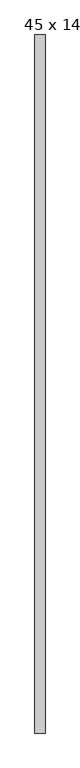
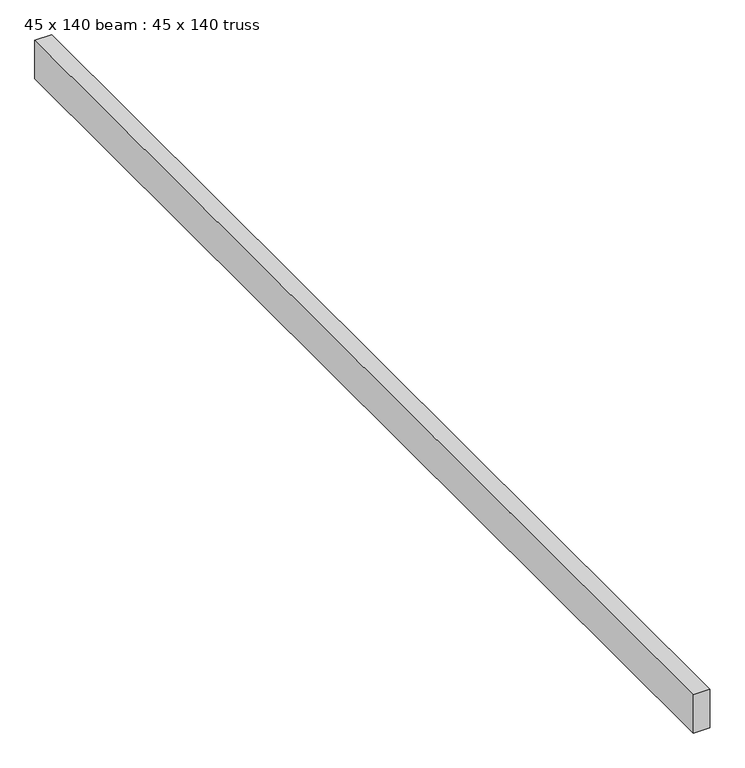
"""IFC4 building model written with IfcOpenShell, lengths in millimetres: proxy geometry, 45 x 140 beam : 45 x 140 truss."""

from ifc_helpers import new_model, si_unit, frame, origin, place, context, project, spatial, polyline, outline, extrude, source, transform, mapped, element, save


def proxy_45_x_140_beam_45_x_140_truss_f629a7b3(model_context):
    return source(origin(), model_context, "Body", "SweptSolid", [
        extrude(outline(polyline([(-1185.4274939, -4511.1489417), (-1230.4274939, -4511.1489417), (-1230.4274939, -1421.1489417), (-1185.4274939, -1421.1489417), (-1185.4274939, -4511.1489417)])), frame((0.0, 0.0, 3675.1978483), z_axis=(0.0, 0.0, 1.0), x_axis=(1.0, 0.0, 0.0)), (0.0, 0.0, 1.0), 109.0474323),
    ])


if __name__ == "__main__":
    model = new_model("IFC4")
    model_context = context("Model", 3, world=origin())
    ifc_project = project(units=[si_unit("LENGTHUNIT", "METRE", prefix="MILLI")], contexts=[model_context])
    site = spatial("IfcSite", under=ifc_project)
    building = spatial("IfcBuilding", under=site)
    placement = place(None, origin())
    proxy_45_x_140_beam_45_x_140_truss_shape = proxy_45_x_140_beam_45_x_140_truss_f629a7b3(model_context)
    element("IfcBuildingElementProxy", 1, Name="45 x 140 beam : 45 x 140 truss", ObjectType="45 x 140 beam : 45 x 140 truss", at=placement, inside=building, context=model_context, shape_type="MappedRepresentation", body=[
        mapped(proxy_45_x_140_beam_45_x_140_truss_shape, transform((0.0, 0.0, 0.0), x_axis=(1.0, 0.0, 0.0), y_axis=(0.0, 1.0, 0.0), z_axis=(0.0, 0.0, 1.0))),
    ])
    save(model, "model.ifc")
